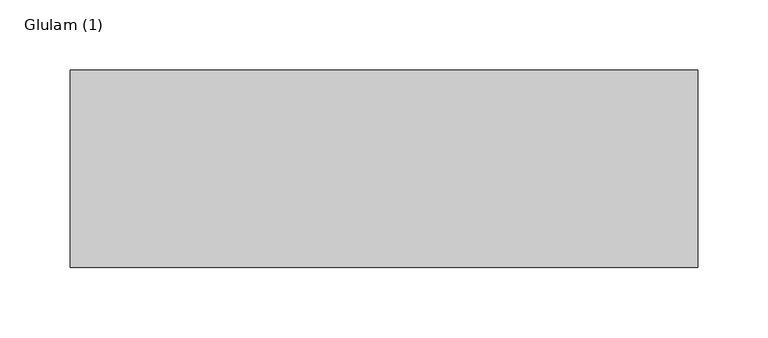
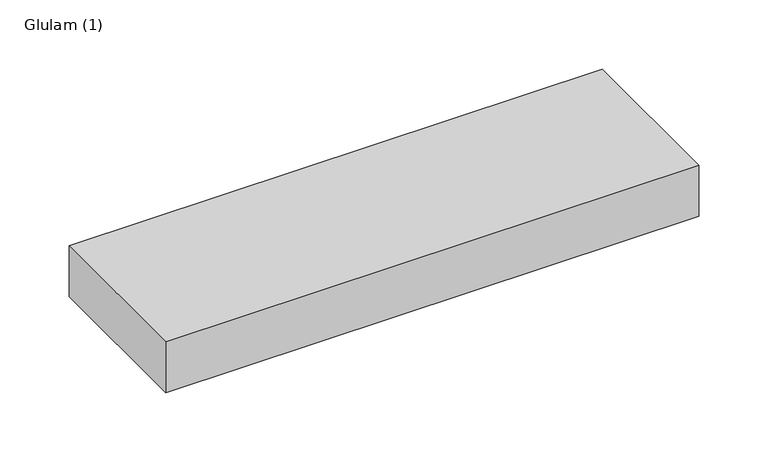
"""IFC4 building model written with IfcOpenShell, lengths in millimetres: beam geometry, Glulam (1)."""

from ifc_helpers import new_model, si_unit, frame, origin, place, context, project, spatial, polyline, outline, extrude, source, transform, mapped, element, save


def glulam_1_0c1f0f4e(model_context):
    return source(origin(), model_context, "Body", "SweptSolid", [
        extrude(outline(polyline([(197.0, 70.0), (197.0, -70.0), (-248.0, -70.0), (-248.0, 70.0), (197.0, 70.0)])), frame((0.0, 0.0, -22.5), z_axis=(0.0, 0.0, 1.0), x_axis=(1.0, 0.0, 0.0)), (0.0, 0.0, 1.0), 45.0),
    ])


if __name__ == "__main__":
    model = new_model("IFC4")
    model_context = context("Model", 3, world=origin())
    ifc_project = project(units=[si_unit("LENGTHUNIT", "METRE", prefix="MILLI")], contexts=[model_context])
    site = spatial("IfcSite", under=ifc_project)
    building = spatial("IfcBuilding", under=site)
    placement = place(None, origin())
    glulam_1_shape = glulam_1_0c1f0f4e(model_context)
    element("IfcBeam", 1, ObjectType="Glulam (1)", at=placement, inside=building, context=model_context, shape_type="MappedRepresentation", body=[
        mapped(glulam_1_shape, transform((0.0, 0.0, 0.0), x_axis=(1.0, 0.0, 0.0), y_axis=(0.0, 1.0, 0.0), z_axis=(0.0, 0.0, 1.0))),
    ])
    save(model, "model.ifc")
